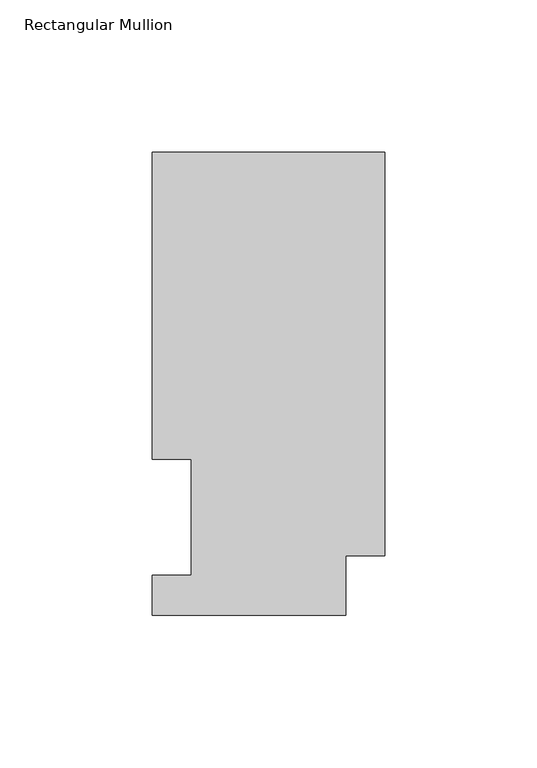
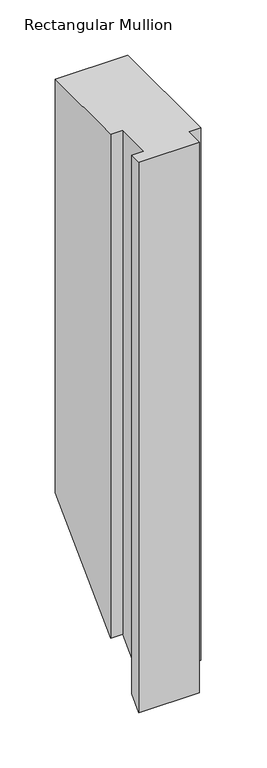
"""IFC4 building model written with IfcOpenShell, lengths in millimetres: member geometry, Rectangular Mullion."""

import ifcopenshell
import ifcopenshell.guid

model = None  # the IFC model being written
_history = None  # IfcOwnerHistory: only IFC2X3 demands one
_inside = {}  # id of a spatial element -> (the spatial element, [elements in it])
_under = {}  # id of a project, library or spatial element -> (it, [spatial elements below it])
_declared = {}  # id of a project -> (the project, [libraries it declares])
_typed = {}  # id of a type object -> (the type object, [elements of that type])
_made_of = {}  # id of a material, layer set ... -> (it, [elements and type objects made of it])


def new_model(schema):
    """Start an empty IFC model of exactly this schema.

    Asked for "IFC4X3", IfcOpenShell would pick the latest addendum, in which some entities
    have other attributes; the version numbers below select the first issue.
    IFC2X3 requires an IfcOwnerHistory on every rooted entity: one is made here for all.
    """
    global model, _history
    if schema == "IFC4X3":
        model = ifcopenshell.file(schema_version=(4, 3, 0, 0))
    else:
        model = ifcopenshell.file(schema=schema)
    _inside.clear()
    _under.clear()
    _declared.clear()
    _typed.clear()
    _made_of.clear()
    _history = None
    if model.schema == "IFC2X3":
        org = make("IfcOrganization", Name="unknown")
        user = make(
            "IfcPersonAndOrganization",
            ThePerson=make("IfcPerson", FamilyName="unknown"),
            TheOrganization=org,
        )
        app = make(
            "IfcApplication",
            ApplicationDeveloper=org,
            Version="unknown",
            ApplicationFullName="unknown",
            ApplicationIdentifier="unknown",
        )
        _history = make(
            "IfcOwnerHistory",
            OwningUser=user,
            OwningApplication=app,
            ChangeAction="ADDED",
            CreationDate=0,
        )
    return model


def make(cls, **values):
    """One entity of the class cls with the attributes given. An attribute that is None is left unset."""
    return model.create_entity(
        cls, **{name: value for name, value in values.items() if value is not None}
    )


def rooted(cls, **values):
    """An entity with a GlobalId (a new one), such as an element, a storey or a relation."""
    return make(cls, GlobalId=ifcopenshell.guid.new(), OwnerHistory=_history, **values)


def si_unit(unit_type, name, prefix=None):
    """IfcSIUnit, for example si_unit("LENGTHUNIT", "METRE", prefix="MILLI")."""
    return make("IfcSIUnit", UnitType=unit_type, Prefix=prefix, Name=name)


def assignment(units):
    """IfcUnitAssignment: the units of a project."""
    return None if units is None else make("IfcUnitAssignment", Units=units)


def point(xyz):
    """IfcCartesianPoint."""
    return None if xyz is None else make("IfcCartesianPoint", Coordinates=xyz)


def direction(xyz):
    """IfcDirection."""
    return None if xyz is None else make("IfcDirection", DirectionRatios=xyz)


def frame(location, z_axis=None, x_axis=None):
    """IfcAxis2Placement3D, a coordinate frame: its origin and axes. An axis left out is left unset."""
    return make(
        "IfcAxis2Placement3D",
        Location=point(location),
        Axis=direction(z_axis),
        RefDirection=direction(x_axis),
    )


def origin():
    """The frame at (0, 0, 0) with its axes left unset."""
    return frame((0.0, 0.0, 0.0))


def place(relative_to, where):
    """IfcLocalPlacement: puts the frame where relative to a parent placement (None: the world)."""
    return make(
        "IfcLocalPlacement", PlacementRelTo=relative_to, RelativePlacement=where
    )


def context(
    kind, dimensions, precision=None, world=None, true_north=None, identifier=None
):
    """IfcGeometricRepresentationContext, for example the 3D "Model" context."""
    return make(
        "IfcGeometricRepresentationContext",
        ContextIdentifier=identifier,
        ContextType=kind,
        CoordinateSpaceDimension=dimensions,
        Precision=precision,
        WorldCoordinateSystem=world,
        TrueNorth=true_north,
    )


def project(units=None, contexts=None):
    """IfcProject with its units and contexts."""
    return rooted(
        "IfcProject",
        Name="project",
        RepresentationContexts=contexts,
        UnitsInContext=assignment(units),
    )


def spatial(cls, under=None, at=None, **own):
    """A site, building, storey or space (cls), placed at a placement, below another one or the project."""
    s = rooted(cls, ObjectPlacement=at, **own)
    if under is not None:
        _under.setdefault(under.id(), (under, []))[1].append(s)
    return s


def faces_of(points, faces, orient=None, outer=None):
    """IfcFace entities. A face is a list of loops; a loop is a list of indices into points, from 0.

    orient and outer hold one flag for each loop. By default every Orientation is true, the
    first loop of a face is its IfcFaceOuterBound and the others are IfcFaceBound.
    """
    made = []
    for i, loops in enumerate(faces):
        bounds = []
        for j, loop in enumerate(loops):
            is_outer = j == 0 if outer is None else outer[i][j]
            bounds.append(
                make(
                    "IfcFaceOuterBound" if is_outer else "IfcFaceBound",
                    Bound=make("IfcPolyLoop", Polygon=[points[k] for k in loop]),
                    Orientation=True if orient is None else orient[i][j],
                )
            )
        made.append(make("IfcFace", Bounds=bounds))
    return made


def faceted_brep(points, faces, orient=None, outer=None, voids=None):
    """IfcFacetedBrep: a solid bounded by flat faces; with voids (closed shells), ...WithVoids."""
    shared = [point(p) for p in points]
    hull = make("IfcClosedShell", CfsFaces=faces_of(shared, faces, orient, outer))
    if voids is None:
        return make("IfcFacetedBrep", Outer=hull)
    return make(
        "IfcFacetedBrepWithVoids",
        Outer=hull,
        Voids=[
            make(cls, CfsFaces=faces_of(shared, fs, o, b)) for cls, fs, o, b in voids
        ],
    )


def shape(context_of_items, identifier, shape_type, items):
    """IfcShapeRepresentation: the items that make up one representation, for example the "Body"."""
    return make(
        "IfcShapeRepresentation",
        ContextOfItems=context_of_items,
        RepresentationIdentifier=identifier,
        RepresentationType=shape_type,
        Items=items,
    )


def source(mapping_origin, context_of_items, identifier, shape_type, items):
    """IfcRepresentationMap: a shape defined once, which mapped items show again and again."""
    return make(
        "IfcRepresentationMap",
        MappingOrigin=mapping_origin,
        MappedRepresentation=shape(context_of_items, identifier, shape_type, items),
    )


def transform(
    local_origin,
    x_axis=None,
    y_axis=None,
    z_axis=None,
    scale=None,
    scale2=None,
    scale3=None,
    uniform=True,
):
    """IfcCartesianTransformationOperator3D, or its non-uniform kind. x_axis, y_axis, z_axis: its Axis1, 2, 3."""
    if uniform:
        return make(
            "IfcCartesianTransformationOperator3D",
            Axis1=direction(x_axis),
            Axis2=direction(y_axis),
            LocalOrigin=point(local_origin),
            Scale=scale,
            Axis3=direction(z_axis),
        )
    return make(
        "IfcCartesianTransformationOperator3DnonUniform",
        Axis1=direction(x_axis),
        Axis2=direction(y_axis),
        LocalOrigin=point(local_origin),
        Scale=scale,
        Axis3=direction(z_axis),
        Scale2=scale2,
        Scale3=scale3,
    )


def mapped(mapping_source, mapping_target):
    """IfcMappedItem: shows the shape of a source again, moved by a transform."""
    return make(
        "IfcMappedItem", MappingSource=mapping_source, MappingTarget=mapping_target
    )


def made_of(thing, what):
    """Note that an element or type object is made of a material, layer set ...; save() writes the relation."""
    if what is not None:
        _made_of.setdefault(what.id(), (what, []))[1].append(thing)
    return thing


def element(
    cls,
    number,
    at=None,
    inside=None,
    cuts=None,
    type_object=None,
    material=None,
    context=None,
    identifier="Body",
    shape_type=None,
    held_by="IfcProductDefinitionShape",
    body=None,
    shapes=None,
    **own,
):
    """One element of the class cls, such as IfcWall. Its Tag is "e" and its number.

    at: its placement. inside: the storey or other place that contains it. cuts: it is an
    opening in that element (IfcRelVoidsElement). A single representation is given by context,
    identifier, shape_type and body (its items); several are given by shapes. held_by: the class
    of the entity that holds the representations. save() writes the other relations.
    """
    e = rooted(cls, Tag="e%d" % number, ObjectPlacement=at, **own)
    if body is not None:
        shapes = [shape(context, identifier, shape_type, body)]
    if shapes is not None:
        e.Representation = make(held_by, Representations=shapes)
    if inside is not None:
        _inside.setdefault(inside.id(), (inside, []))[1].append(e)
    if cuts is not None:
        rooted(
            "IfcRelVoidsElement", RelatingBuildingElement=cuts, RelatedOpeningElement=e
        )
    if type_object is not None:
        _typed.setdefault(type_object.id(), (type_object, []))[1].append(e)
    return made_of(e, material)


def aggregate(whole, parts):
    """IfcRelAggregates: a whole, such as a stair, and the parts it consists of."""
    return rooted("IfcRelAggregates", RelatingObject=whole, RelatedObjects=parts)


def save(model, path):
    """Write the relations noted so far, then the file.

    IfcRelAggregates (storeys below a building ...), IfcRelContainedInSpatialStructure (elements
    in a storey), IfcRelDefinesByType, IfcRelAssociatesMaterial and IfcRelDeclares: one each for
    every whole, place, type object, material and project.
    """
    for whole, parts in _under.values():
        aggregate(whole, parts)
    for where, things in _inside.values():
        rooted(
            "IfcRelContainedInSpatialStructure",
            RelatedElements=things,
            RelatingStructure=where,
        )
    for kind, things in _typed.values():
        rooted("IfcRelDefinesByType", RelatedObjects=things, RelatingType=kind)
    for what, things in _made_of.values():
        rooted("IfcRelAssociatesMaterial", RelatedObjects=things, RelatingMaterial=what)
    for by, libraries in _declared.values():
        rooted("IfcRelDeclares", RelatingContext=by, RelatedDefinitions=libraries)
    model.write(path)


def rectangular_mullion_116129ba(model_context):
    return source(origin(), model_context, "Body", "Brep", [
        faceted_brep([(0.0, 151.8147517, 0.0), (-76.2, 151.8147517, 0.0), (-76.2, 51.2053517, 0.0), (-63.5127, 51.2053517, 0.0), (-63.5127, 13.1053517, 0.0), (-76.2, 13.1053517, 0.0), (-76.2, -0.0772483, 0.0), (-12.7, -0.0772483, 0.0), (-12.7, 19.4553517, 0.0), (0.0, 19.4553517, 0.0), (0.0, 151.8147517, -457.7534983), (-76.2, 151.8147517, -457.7534983), (-76.2, 51.2053517, -558.3628983), (-63.5127, 51.2053517, -558.3628983), (-63.5127, 13.1053517, -596.4628983), (-76.2, 13.1053517, -596.4628983), (-76.2, -0.0772483, -609.6454983), (-12.7, -0.0772483, -609.6454983), (-12.7, 19.4553517, -590.1128983), (0.0, 19.4553517, -590.1128983)], [[[0, 1, 2, 3, 4, 5, 6, 7, 8, 9]], [[1, 0, 10, 11]], [[2, 1, 11, 12]], [[3, 2, 12, 13]], [[4, 3, 13, 14]], [[5, 4, 14, 15]], [[6, 5, 15, 16]], [[7, 6, 16, 17]], [[8, 7, 17, 18]], [[9, 8, 18, 19]], [[0, 9, 19, 10]], [[10, 19, 18, 17, 16, 15, 14, 13, 12, 11]]]),
    ])


if __name__ == "__main__":
    model = new_model("IFC4")
    model_context = context("Model", 3, world=origin())
    ifc_project = project(units=[si_unit("LENGTHUNIT", "METRE", prefix="MILLI")], contexts=[model_context])
    site = spatial("IfcSite", under=ifc_project)
    building = spatial("IfcBuilding", under=site)
    placement = place(None, origin())
    rectangular_mullion_shape = rectangular_mullion_116129ba(model_context)
    element("IfcMember", 1, ObjectType="Rectangular Mullion", at=placement, inside=building, context=model_context, shape_type="MappedRepresentation", body=[
        mapped(rectangular_mullion_shape, transform((0.0, 0.0, 0.0), x_axis=(1.0, 0.0, 0.0), y_axis=(0.0, 1.0, 0.0), z_axis=(0.0, 0.0, 1.0))),
    ])
    save(model, "model.ifc")
